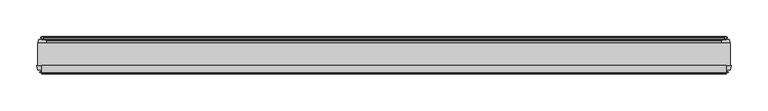
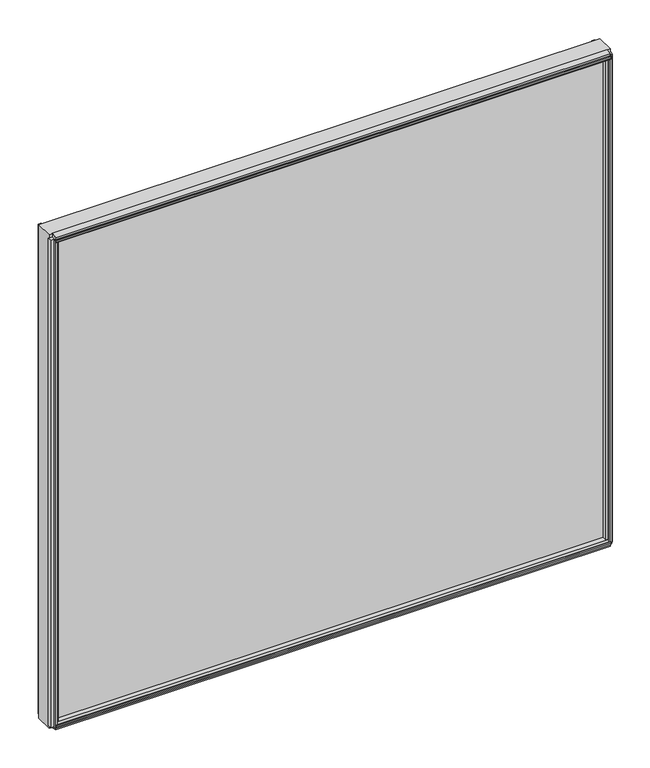
"""IFC4 building model written with IfcOpenShell, lengths in millimetres: plate geometry."""

from ifc_helpers import new_model, si_unit, frame, origin, place, context, project, spatial, polyline, outline, extrude, source, transform, mapped, element, save


def plate_52f32952(model_context):
    return source(origin(), model_context, "Body", "SweptSolid", [
        extrude(outline(polyline([(465.8624, 0.0611188), (465.8624, -30.0632812), (-476.9749, -30.0632812), (-476.9749, 0.0611188), (465.8624, 0.0611188)])), frame((0.0, 0.0, 24.1101562), z_axis=(0.0, 0.0, 1.0), x_axis=(1.0, 0.0, 0.0)), (0.0, 0.0, 1.0), 876.166414),
        extrude(outline(polyline([(-30.0632812, 23.5182551), (-39.6736949, 25.3725532), (-38.5626883, 29.5188864), (-41.0629754, 30.6884606), (-41.2186445, 29.1261151), (-42.003749, 29.3364832), (-41.7914929, 31.6988428), (-40.7941323, 33.8508342), (-40.0090278, 33.6404661), (-40.6553872, 32.2096006), (-37.9052879, 31.972338), (-36.7942812, 36.1186712), (-30.0632812, 37.8878432), (-30.0632812, 23.5182551)])), frame((-471.41865, 0.0, 0.0), z_axis=(1.0, 0.0, 0.0), x_axis=(0.0, 1.0, 0.0)), (0.0, 0.0, 1.0), 931.7248),
        extrude(outline(polyline([(-30.0632812, 900.8684714), (-30.0632812, 886.4988833), (-36.7942812, 888.2680553), (-37.9052879, 892.4143885), (-40.6553872, 892.1771259), (-40.0090278, 890.7462604), (-40.7941323, 890.5358923), (-41.7914929, 892.6878837), (-42.003749, 895.0502433), (-41.2186445, 895.2606114), (-41.0629754, 893.6982659), (-38.5626883, 894.8678401), (-39.6736949, 899.0141733), (-30.0632812, 900.8684714)])), frame((-471.41865, 0.0, 0.0), z_axis=(1.0, 0.0, 0.0), x_axis=(0.0, 1.0, 0.0)), (0.0, 0.0, 1.0), 931.7248),
        extrude(outline(polyline([(5.2054238, 891.9847064), (5.3888718, 888.4843102), (8.1282045, 888.1446102), (7.7934632, 889.6785935), (8.6051493, 889.7211322), (9.133291, 887.408804), (8.8497466, 885.0539372), (8.0380606, 885.0113985), (8.2106231, 886.5719684), (5.5218051, 885.9477912), (5.7052531, 882.4473949), (4.4085966, 881.9110091), (0.0611188, 882.0868618), (0.0611188, 891.8273435), (3.8598029, 892.3826163), (5.2054238, 891.9847064)])), frame((-471.41865, 0.0, 0.0), z_axis=(1.0, 0.0, 0.0), x_axis=(0.0, 1.0, 0.0)), (0.0, 0.0, 1.0), 931.7248),
        extrude(outline(polyline([(461.0583429, -39.5092713), (462.6068246, -39.2497314), (462.6097316, -40.0625262), (460.2744, -40.4772812), (457.9361614, -40.0792415), (457.9361614, -39.2664467), (459.483553, -39.5149036), (458.9912273, -36.7987999), (454.7126005, -36.7987999), (453.5193, -30.0632812), (467.0295, -30.0632812), (465.8405205, -36.7744101), (461.5338891, -36.7744101), (461.0583429, -39.5092713)])), frame((0.0, 0.0, 29.6664062), z_axis=(0.0, 0.0, 1.0), x_axis=(1.0, 0.0, 0.0)), (0.0, 0.0, 1.0), 865.053914),
        extrude(outline(polyline([(458.7284571, 7.5513088), (457.1799754, 7.2917689), (457.1770684, 8.1045637), (459.5124, 8.5193188), (461.8506386, 8.121279), (461.8506386, 7.3084842), (460.303247, 7.5569411), (460.7955727, 4.8408374), (464.2865409, 4.8408374), (464.8153556, 2.5845617), (464.2822338, 0.0611188), (454.7425662, 0.0611188), (454.2094444, 2.5845617), (454.7372, 4.8363188), (458.2563662, 4.8363188), (458.7284571, 7.5513088)])), frame((0.0, 0.0, 29.6664062), z_axis=(0.0, 0.0, 1.0), x_axis=(1.0, 0.0, 0.0)), (0.0, 0.0, 1.0), 865.053914),
        extrude(outline(polyline([(-472.1708429, -39.5092713), (-472.6463891, -36.7744101), (-476.9530205, -36.7744101), (-478.142, -30.0632812), (-464.6318, -30.0632812), (-465.8251005, -36.7987999), (-470.1037273, -36.7987999), (-470.596053, -39.5149036), (-469.0486614, -39.2664467), (-469.0486614, -40.0792415), (-471.3869, -40.4772812), (-473.7222316, -40.0625262), (-473.7193246, -39.2497314), (-472.1708429, -39.5092713)])), frame((0.0, 0.0, 29.6664062), z_axis=(0.0, 0.0, 1.0), x_axis=(1.0, 0.0, 0.0)), (0.0, 0.0, 1.0), 865.053914),
        extrude(outline(polyline([(-469.8409571, 7.5513088), (-469.3688662, 4.8363188), (-465.8497, 4.8363188), (-465.3219444, 2.5845617), (-465.8550662, 0.0611188), (-475.3947338, 0.0611188), (-475.9278556, 2.5845617), (-475.3990409, 4.8408374), (-471.9080727, 4.8408374), (-471.415747, 7.5569411), (-472.9631386, 7.3084842), (-472.9631386, 8.121279), (-470.6249, 8.5193188), (-468.2895684, 8.1045637), (-468.2924754, 7.2917689), (-469.8409571, 7.5513088)])), frame((0.0, 0.0, 29.6664062), z_axis=(0.0, 0.0, 1.0), x_axis=(1.0, 0.0, 0.0)), (0.0, 0.0, 1.0), 865.053914),
    ])


if __name__ == "__main__":
    model = new_model("IFC4")
    model_context = context("Model", 3, world=origin())
    ifc_project = project(units=[si_unit("LENGTHUNIT", "METRE", prefix="MILLI")], contexts=[model_context])
    site = spatial("IfcSite", under=ifc_project)
    building = spatial("IfcBuilding", under=site)
    placement = place(None, origin())
    plate_shape = plate_52f32952(model_context)
    element("IfcPlate", 1, at=placement, inside=building, context=model_context, shape_type="MappedRepresentation", body=[
        mapped(plate_shape, transform((0.0, 0.0, 0.0), x_axis=(1.0, 0.0, 0.0), y_axis=(0.0, 1.0, 0.0), z_axis=(0.0, 0.0, 1.0))),
    ])
    save(model, "model.ifc")
